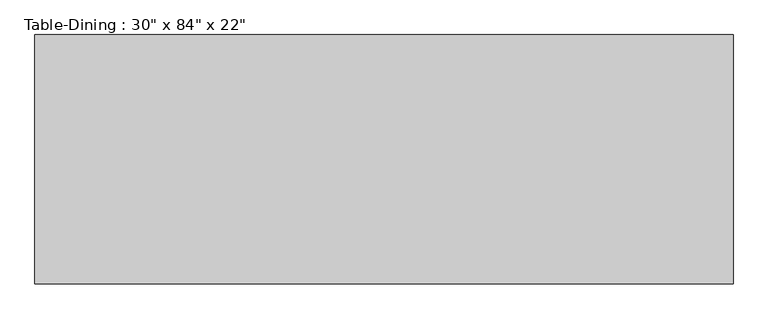
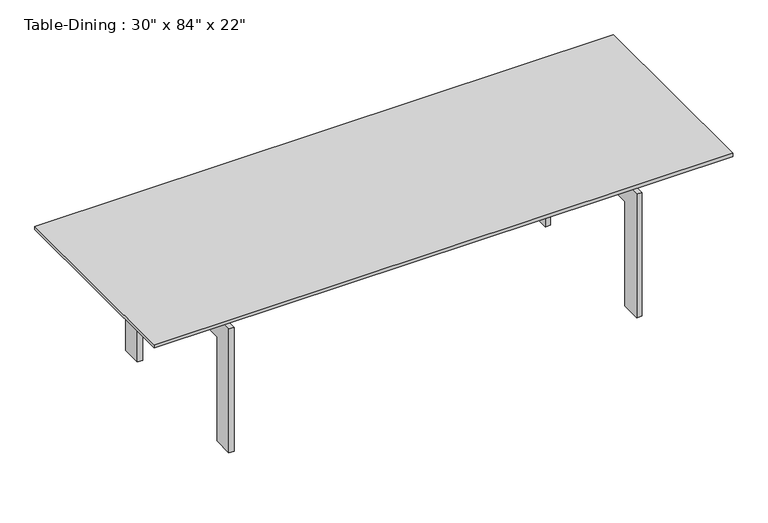
"""IFC4 building model written with IfcOpenShell, lengths in millimetres: furniture geometry."""

from ifc_helpers import new_model, si_unit, frame, origin, place, context, project, spatial, polyline, outline, extrude, source, transform, mapped, element, save


def furniture_92191dda(model_context):
    return source(origin(), model_context, "Body", "SweptSolid", [
        extrude(outline(polyline([(983.4657667, 297.7823857), (983.4657667, 272.3823857), (-946.9342333, 272.3823857), (-946.9342333, 297.7823857), (983.4657667, 297.7823857)])), frame((0.0, 0.0, 482.6), z_axis=(0.0, 0.0, 1.0), x_axis=(1.0, 0.0, 0.0)), (0.0, 0.0, 1.0), 63.5),
        extrude(outline(polyline([(983.4657667, -82.5889222), (983.4657667, -107.9889222), (-946.9342333, -107.9889222), (-946.9342333, -82.5889222), (983.4657667, -82.5889222)])), frame((0.0, 0.0, 482.6), z_axis=(0.0, 0.0, 1.0), x_axis=(1.0, 0.0, 0.0)), (0.0, 0.0, 1.0), 63.5),
        extrude(outline(polyline([(425.4110778, 0.0), (349.2110778, 0.0), (349.2110778, 406.4), (-158.7889222, 406.4), (-158.7889222, 0.0), (-234.9889222, 0.0), (-234.9889222, 482.6), (425.4110778, 482.6), (425.4110778, 0.0)])), frame((761.2157667, 0.0, 0.0), z_axis=(1.0, 0.0, 0.0), x_axis=(0.0, 1.0, 0.0)), (0.0, 0.0, 1.0), 19.05),
        extrude(outline(polyline([(425.4110778, 482.6), (425.4110778, 0.0), (349.2110778, 0.0), (349.2110778, 406.4), (-158.7889222, 406.4), (-158.7889222, 0.0), (-234.9889222, 0.0), (-234.9889222, 482.6), (425.4110778, 482.6)])), frame((-743.7342333, 0.0, 0.0), z_axis=(1.0, 0.0, 0.0), x_axis=(0.0, 1.0, 0.0)), (0.0, 0.0, 1.0), 19.05),
        extrude(outline(polyline([(1085.0657667, 476.2110778), (1085.0657667, -285.7889222), (-1048.5342333, -285.7889222), (-1048.5342333, 476.2110778), (1085.0657667, 476.2110778)])), frame((0.0, 0.0, 546.1), z_axis=(0.0, 0.0, 1.0), x_axis=(1.0, 0.0, 0.0)), (0.0, 0.0, 1.0), 12.7),
    ])


if __name__ == "__main__":
    model = new_model("IFC4")
    model_context = context("Model", 3, world=origin())
    ifc_project = project(units=[si_unit("LENGTHUNIT", "METRE", prefix="MILLI")], contexts=[model_context])
    site = spatial("IfcSite", under=ifc_project)
    building = spatial("IfcBuilding", under=site)
    placement = place(None, origin())
    furniture_shape = furniture_92191dda(model_context)
    element("IfcFurniture", 1, ObjectType="Table-Dining : 30\" x 84\" x 22\"", at=placement, inside=building, context=model_context, shape_type="MappedRepresentation", body=[
        mapped(furniture_shape, transform((0.0, 0.0, 0.0), x_axis=(1.0, 0.0, 0.0), y_axis=(0.0, 1.0, 0.0), z_axis=(0.0, 0.0, 1.0))),
    ])
    save(model, "model.ifc")
